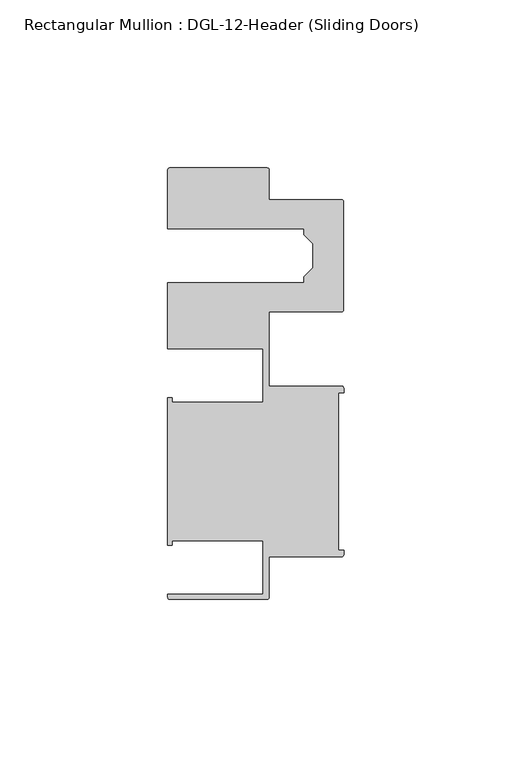
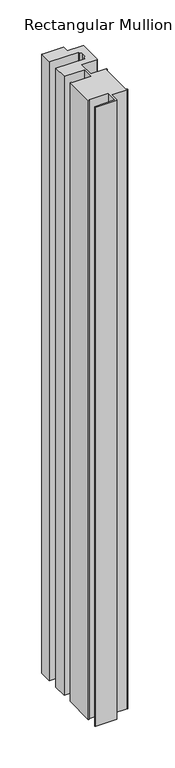
"""IFC4 building model written with IfcOpenShell, lengths in millimetres: member geometry, Rectangular Mullion : DGL-12-Header (Sliding Doors)."""

from ifc_helpers import new_model, si_unit, point, frame, frame_2d, origin, place, context, project, spatial, polyline, circle_curve, trimmed, segment, composite_curve, outline, extrude, source, transform, mapped, element, save


def rectangular_mullion_dgl_12_header_sliding_doors_a49c5349(model_context):
    return source(origin(), model_context, "Body", "SweptSolid", [
        extrude(outline(composite_curve([segment(polyline([(-0.5953125, -25.4), (-22.2332898, -25.4), (-22.2332898, -37.5043667)]), True, "CONTINUOUS"), segment(trimmed(circle_curve(frame_2d((-22.8286023, -37.5043667)), 0.5953125), [point((-22.2332898, -37.5043667))], [point((-22.8286023, -38.0996792))], False, "CARTESIAN"), True, "CONTINUOUS"), segment(polyline([(-22.8286023, -38.0996792), (-51.7968699, -38.0996792)]), True, "CONTINUOUS"), segment(trimmed(circle_curve(frame_2d((-51.7968699, -37.5043667)), 0.5953125), [point((-51.7968699, -38.0996792))], [point((-52.3921824, -37.5043667))], False, "CARTESIAN"), True, "CONTINUOUS"), segment(polyline([(-52.3921824, -37.5043667), (-52.3921824, -36.512516), (-24.0747898, -36.512516), (-24.0747898, -20.5916734), (-51.1362531, -20.5916734), (-51.1362531, -21.9710976), (-52.3921824, -21.9710976), (-52.3921824, 21.9710976), (-51.1362531, 21.9710976), (-51.1362531, 20.5916734), (-24.0747898, 20.5916734), (-24.0747898, 36.512516), (-52.3921824, 36.512516), (-52.3921824, 56.213352), (-11.8582575, 56.213352), (-11.8582575, 57.8946468), (-9.1582575, 60.5946468), (-9.1582575, 67.7941892), (-11.8582575, 70.4941892), (-11.8582575, 72.175484), (-52.3921824, 72.175484), (-52.3921824, 89.7299227)]), True, "CONTINUOUS"), segment(trimmed(circle_curve(frame_2d((-51.7968699, 89.7299227)), 0.5953125), [point((-52.3921824, 89.7299227))], [point((-51.7968699, 90.3252352))], False, "CARTESIAN"), True, "CONTINUOUS"), segment(polyline([(-51.7968699, 90.3252352), (-22.79857, 90.3252352)]), True, "CONTINUOUS"), segment(trimmed(circle_curve(frame_2d((-22.79857, 89.7299227)), 0.5953125), [point((-22.79857, 90.3252352))], [point((-22.2032575, 89.7299227))], False, "CARTESIAN"), True, "CONTINUOUS"), segment(polyline([(-22.2032575, 89.7299227), (-22.2032575, 80.875484), (-0.60357, 80.875484)]), True, "CONTINUOUS"), segment(trimmed(circle_curve(frame_2d((-0.60357, 80.2801715)), 0.5953125), [point((-0.60357, 80.875484))], [point((-0.0082575, 80.2801715))], False, "CARTESIAN"), True, "CONTINUOUS"), segment(polyline([(-0.0082575, 80.2801715), (-0.0082575, 48.1086645)]), True, "CONTINUOUS"), segment(trimmed(circle_curve(frame_2d((-0.60357, 48.1086645)), 0.5953125), [point((-0.0082575, 48.1086645))], [point((-0.60357, 47.513352))], False, "CARTESIAN"), True, "CONTINUOUS"), segment(polyline([(-0.60357, 47.513352), (-22.2332898, 47.513352), (-22.2332898, 25.4), (-0.5953125, 25.4)]), True, "CONTINUOUS"), segment(trimmed(circle_curve(frame_2d((-0.5953125, 24.8046875)), 0.5953125), [point((-0.5953125, 25.4))], [point((0.0, 24.8046875))], False, "CARTESIAN"), True, "CONTINUOUS"), segment(polyline([(0.0, 24.8046875), (0.0, 23.488176), (-1.5001875, 23.488176), (-1.5001875, -23.488176), (0.0, -23.488176), (0.0, -24.8046875)]), True, "CONTINUOUS"), segment(trimmed(circle_curve(frame_2d((-0.5953125, -24.8046875)), 0.5953125), [point((0.0, -24.8046875))], [point((-0.5953125, -25.4))], False, "CARTESIAN"), True, "CONTINUOUS")], self_intersect=False)), frame((0.0, 0.0, -906.5093759), z_axis=(0.0, 0.0, 1.0), x_axis=(1.0, 0.0, 0.0)), (0.0, 0.0, 1.0), 906.5093759),
    ])


if __name__ == "__main__":
    model = new_model("IFC4")
    model_context = context("Model", 3, world=origin())
    ifc_project = project(units=[si_unit("LENGTHUNIT", "METRE", prefix="MILLI")], contexts=[model_context])
    site = spatial("IfcSite", under=ifc_project)
    building = spatial("IfcBuilding", under=site)
    placement = place(None, origin())
    rectangular_mullion_dgl_12_header_sliding_doors_shape = rectangular_mullion_dgl_12_header_sliding_doors_a49c5349(model_context)
    element("IfcMember", 1, ObjectType="Rectangular Mullion : DGL-12-Header (Sliding Doors)", at=placement, inside=building, context=model_context, shape_type="MappedRepresentation", body=[
        mapped(rectangular_mullion_dgl_12_header_sliding_doors_shape, transform((0.0, 0.0, 0.0), x_axis=(1.0, 0.0, 0.0), y_axis=(0.0, 1.0, 0.0), z_axis=(0.0, 0.0, 1.0))),
    ])
    save(model, "model.ifc")
